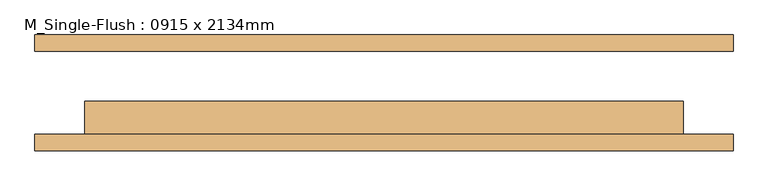
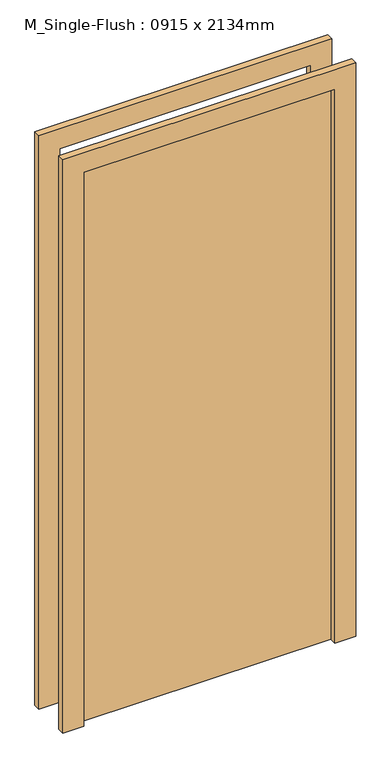
"""IFC4 building model written with IfcOpenShell, lengths in millimetres: door geometry, M_Single-Flush : 0915 x 2134mm."""

from ifc_helpers import new_model, si_unit, frame, origin, origin_with_axes, place, context, project, spatial, polyline, outline, extrude, source, transform, mapped, element, save


def m_single_flush_0915_x_2134mm_d0396ba7(model_context):
    return source(origin(), model_context, "Body", "SweptSolid", [
        extrude(outline(polyline([(2210.0, -533.5), (0.0, -533.5), (0.0, -457.5), (2134.0, -457.5), (2134.0, 457.5), (0.0, 457.5), (0.0, 533.5), (2210.0, 533.5), (2210.0, -533.5)])), frame((0.0, -88.5, 0.0), z_axis=(0.0, 1.0, 0.0), x_axis=(0.0, 0.0, 1.0)), (0.0, 0.0, 1.0), 25.0),
        extrude(outline(polyline([(2210.0, 533.5), (2210.0, -533.5), (0.0, -533.5), (0.0, -457.5), (2134.0, -457.5), (2134.0, 457.5), (0.0, 457.5), (0.0, 533.5), (2210.0, 533.5)])), frame((0.0, 63.5, 0.0), z_axis=(0.0, 1.0, 0.0), x_axis=(0.0, 0.0, 1.0)), (0.0, 0.0, 1.0), 25.0),
        extrude(outline(polyline([(457.5, -12.5), (457.5, -63.5), (-457.5, -63.5), (-457.5, -12.5), (457.5, -12.5)])), origin_with_axes(), (0.0, 0.0, 1.0), 2134.0),
    ])


if __name__ == "__main__":
    model = new_model("IFC4")
    model_context = context("Model", 3, world=origin())
    ifc_project = project(units=[si_unit("LENGTHUNIT", "METRE", prefix="MILLI")], contexts=[model_context])
    site = spatial("IfcSite", under=ifc_project)
    building = spatial("IfcBuilding", under=site)
    placement = place(None, origin())
    m_single_flush_0915_x_2134mm_shape = m_single_flush_0915_x_2134mm_d0396ba7(model_context)
    element("IfcDoor", 1, ObjectType="M_Single-Flush : 0915 x 2134mm", at=placement, inside=building, context=model_context, shape_type="MappedRepresentation", body=[
        mapped(m_single_flush_0915_x_2134mm_shape, transform((0.0, 0.0, 0.0), x_axis=(1.0, 0.0, 0.0), y_axis=(0.0, 1.0, 0.0), z_axis=(0.0, 0.0, 1.0))),
    ])
    save(model, "model.ifc")
